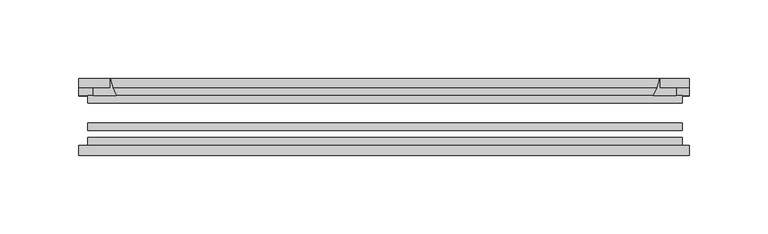
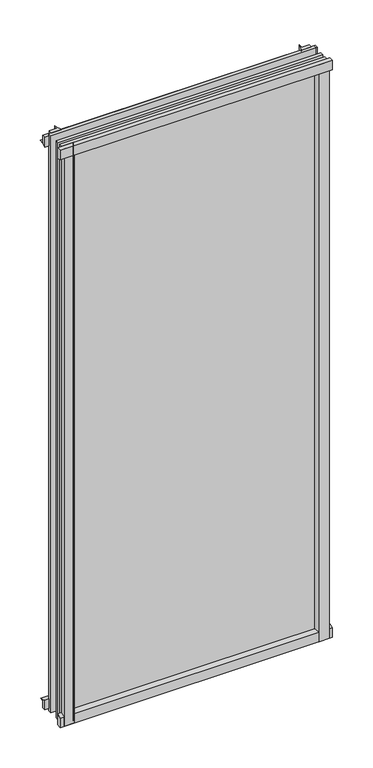
"""IFC4 building model written with IfcOpenShell, lengths in millimetres: plate geometry."""

from ifc_helpers import new_model, si_unit, point, frame, frame_2d, origin, place, context, project, spatial, polyline, circle_curve, trimmed, segment, composite_curve, outline, extrude, source, transform, mapped, element, save


def plate_0a78bf30(model_context):
    return source(origin(), model_context, "Body", "SweptSolid", [
        extrude(outline(composite_curve([segment(polyline([(-85.1328625, 855.6813002), (-78.7828625, 855.6813002), (-78.7828625, 839.4311909)]), True, "CONTINUOUS"), segment(trimmed(circle_curve(frame_2d((-85.0581856, 830.3814356)), 11.0126179), [point((-78.7828625, 839.4311909))], [point((-85.1328625, 841.3938002))], True, "CARTESIAN"), True, "CONTINUOUS"), segment(polyline([(-85.1328625, 841.3938002), (-85.1328625, 855.6813002)]), True, "CONTINUOUS")], self_intersect=False)), frame((-194.6205005, 0.0, 0.0), z_axis=(1.0, 0.0, 0.0), x_axis=(0.0, 1.0, 0.0)), (0.0, 0.0, 1.0), 388.0503759),
        extrude(outline(composite_curve([segment(polyline([(-188.865813, -78.7828625), (-172.0045973, -78.7828625)]), True, "CONTINUOUS"), segment(trimmed(circle_curve(frame_2d((-161.4421938, -86.7604812)), 13.2365693), [point((-172.0045973, -78.7828625))], [point((-174.578313, -85.1328625))], True, "CARTESIAN"), True, "CONTINUOUS"), segment(polyline([(-174.578313, -85.1328625), (-188.865813, -85.1328625), (-188.865813, -78.7828625)]), True, "CONTINUOUS")], self_intersect=False)), frame((0.0, 0.0, -14.2875), z_axis=(0.0, 0.0, 1.0), x_axis=(1.0, 0.0, 0.0)), (0.0, 0.0, 1.0), 869.95),
        extrude(outline(composite_curve([segment(polyline([(188.865813, -78.7828625), (188.865813, -85.1328625), (174.578313, -85.1328625)]), True, "CONTINUOUS"), segment(trimmed(circle_curve(frame_2d((161.4421938, -86.7604812)), 13.2365693), [point((174.578313, -85.1328625))], [point((172.0045973, -78.7828625))], True, "CARTESIAN"), True, "CONTINUOUS"), segment(polyline([(172.0045973, -78.7828625), (188.865813, -78.7828625)]), True, "CONTINUOUS")], self_intersect=False)), frame((0.0, 0.0, -14.2875), z_axis=(0.0, 0.0, 1.0), x_axis=(1.0, 0.0, 0.0)), (0.0, 0.0, 1.0), 869.95),
        extrude(outline(composite_curve([segment(polyline([(-47.1852625, -10.4712201), (-47.1852625, 3.9588469)]), True, "CONTINUOUS"), segment(trimmed(circle_curve(frame_2d((-30.6824422, 32.267054)), 32.7673262), [point((-47.1852625, 3.9588469))], [point((-36.3503395, -0.00635))], True, "CARTESIAN"), True, "CONTINUOUS"), segment(polyline([(-36.3503395, -0.00635), (-42.2830625, -0.00635), (-42.2830625, -10.4712201), (-47.1852625, -10.4712201)]), True, "CONTINUOUS")], self_intersect=False)), frame((-194.6205005, 0.0, 0.0), z_axis=(1.0, 0.0, 0.0), x_axis=(0.0, 1.0, 0.0)), (0.0, 0.0, 1.0), 388.0503759),
        extrude(outline(composite_curve([segment(polyline([(-78.7828625, -14.2875), (-85.1328625, -14.2875), (-85.1328625, -0.0127)]), True, "CONTINUOUS"), segment(trimmed(circle_curve(frame_2d((-86.7604812, 13.1234191)), 13.2365693), [point((-85.1328625, -0.0127))], [point((-78.7828625, 2.5610156))], True, "CARTESIAN"), True, "CONTINUOUS"), segment(polyline([(-78.7828625, 2.5610156), (-78.7828625, -14.2875)]), True, "CONTINUOUS")], self_intersect=False)), frame((-194.6205005, 0.0, 0.0), z_axis=(1.0, 0.0, 0.0), x_axis=(0.0, 1.0, 0.0)), (0.0, 0.0, 1.0), 388.0503759),
        extrude(outline(composite_curve([segment(polyline([(-47.1852625, 837.4034531), (-47.1852625, 852.0752564), (-42.2830625, 852.0752564), (-42.2830625, 841.375), (-36.3140625, 841.375)]), True, "CONTINUOUS"), segment(trimmed(circle_curve(frame_2d((-30.6824422, 809.095246)), 32.7673262), [point((-36.3140625, 841.375))], [point((-47.1852625, 837.4034531))], True, "CARTESIAN"), True, "CONTINUOUS")], self_intersect=False)), frame((-194.6205005, 0.0, 0.0), z_axis=(1.0, 0.0, 0.0), x_axis=(0.0, 1.0, 0.0)), (0.0, 0.0, 1.0), 388.0503759),
        extrude(outline(composite_curve([segment(trimmed(circle_curve(frame_2d((142.298559, -30.6824422)), 32.7673262), [point((170.606766, -47.1852625))], [point((174.578313, -36.3140625))], True, "CARTESIAN"), True, "CONTINUOUS"), segment(polyline([(174.578313, -36.3140625), (174.578313, -42.2830625), (185.2786783, -42.2830625), (185.2786783, -47.1852625), (170.606766, -47.1852625)]), True, "CONTINUOUS")], self_intersect=False)), frame((0.0, 0.0, -14.2875), z_axis=(0.0, 0.0, 1.0), x_axis=(1.0, 0.0, 0.0)), (0.0, 0.0, 1.0), 869.95),
        extrude(outline(composite_curve([segment(polyline([(-170.606766, -47.1852625), (-185.2735222, -47.1852625), (-185.2735222, -42.2830625), (-174.578313, -42.2830625), (-174.578313, -36.3140625)]), True, "CONTINUOUS"), segment(trimmed(circle_curve(frame_2d((-142.298559, -30.6824422)), 32.7673262), [point((-174.578313, -36.3140625))], [point((-170.606766, -47.1852625))], True, "CARTESIAN"), True, "CONTINUOUS")], self_intersect=False)), frame((0.0, 0.0, -14.2875), z_axis=(0.0, 0.0, 1.0), x_axis=(1.0, 0.0, 0.0)), (0.0, 0.0, 1.0), 869.95),
        extrude(outline(polyline([(188.865813, -64.6604625), (188.865813, -69.4356625), (-188.865813, -69.4356625), (-188.865813, -64.6604625), (188.865813, -64.6604625)])), frame((0.0, 0.0, -14.2875), z_axis=(0.0, 0.0, 1.0), x_axis=(1.0, 0.0, 0.0)), (0.0, 0.0, 1.0), 869.95),
        extrude(outline(polyline([(-188.865813, -78.7828625), (-188.865813, -74.0076625), (188.865813, -74.0076625), (188.865813, -78.7828625), (-188.865813, -78.7828625)])), frame((0.0, 0.0, -14.2875), z_axis=(0.0, 0.0, 1.0), x_axis=(1.0, 0.0, 0.0)), (0.0, 0.0, 1.0), 869.95),
        extrude(outline(polyline([(-188.865813, -47.1852625), (188.865813, -47.1852625), (188.865813, -51.9604625), (-188.865813, -51.9604625), (-188.865813, -47.1852625)])), frame((0.0, 0.0, -14.2875), z_axis=(0.0, 0.0, 1.0), x_axis=(1.0, 0.0, 0.0)), (0.0, 0.0, 1.0), 869.95),
    ])


if __name__ == "__main__":
    model = new_model("IFC4")
    model_context = context("Model", 3, world=origin())
    ifc_project = project(units=[si_unit("LENGTHUNIT", "METRE", prefix="MILLI")], contexts=[model_context])
    site = spatial("IfcSite", under=ifc_project)
    building = spatial("IfcBuilding", under=site)
    placement = place(None, origin())
    plate_shape = plate_0a78bf30(model_context)
    element("IfcPlate", 1, at=placement, inside=building, context=model_context, shape_type="MappedRepresentation", body=[
        mapped(plate_shape, transform((0.0, 0.0, 0.0), x_axis=(1.0, 0.0, 0.0), y_axis=(0.0, 1.0, 0.0), z_axis=(0.0, 0.0, 1.0))),
    ])
    save(model, "model.ifc")
